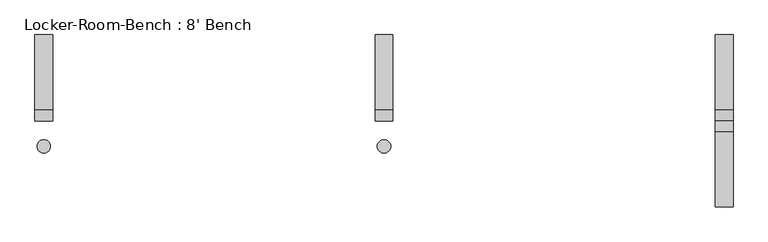
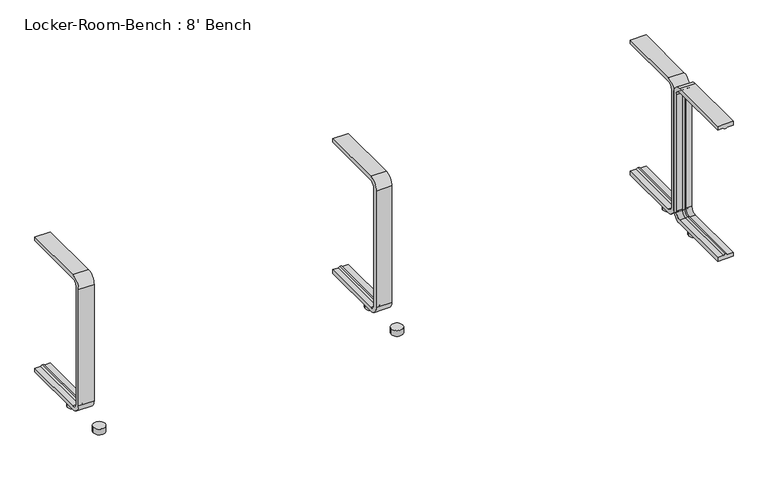
"""IFC4 building model written with IfcOpenShell, lengths in millimetres: proxy geometry, Locker-Room-Bench : 8' Bench."""

from ifc_helpers import new_model, si_unit, point, frame, frame_2d, origin, origin_with_axes, place, context, project, spatial, polyline, circle_curve, ellipse_curve, trimmed, segment, composite_curve, outline, extrude, source, transform, mapped, element, save
from ifc_brep_helpers import plane_surface, cylinder_surface, revolved_surface, advanced_brep


def locker_room_bench_8_bench_7943c223(model_context):
    return source(origin(), model_context, "Body", "SolidModel", [
        extrude(outline(composite_curve([segment(trimmed(circle_curve(frame_2d((764.4, -57.5)), 15.0), [point((749.4, -57.5))], [point((779.4, -57.5))], False, "CARTESIAN"), True, "CONTINUOUS"), segment(trimmed(circle_curve(frame_2d((764.4, -57.5)), 15.0), [point((779.4, -57.5))], [point((749.4, -57.5))], False, "CARTESIAN"), True, "CONTINUOUS")], self_intersect=False)), origin_with_axes(), (0.0, 0.0, 1.0), 15.0),
        extrude(outline(composite_curve([segment(trimmed(circle_curve(frame_2d((764.4, 57.5)), 15.0), [point((749.4, 57.5))], [point((779.4, 57.5))], False, "CARTESIAN"), True, "CONTINUOUS"), segment(trimmed(circle_curve(frame_2d((764.4, 57.5)), 15.0), [point((779.4, 57.5))], [point((749.4, 57.5))], False, "CARTESIAN"), True, "CONTINUOUS")], self_intersect=False)), origin_with_axes(), (0.0, 0.0, 1.0), 15.0),
        extrude(outline(composite_curve([segment(trimmed(circle_curve(frame_2d((0.0, -57.5)), 15.0), [point((-15.0, -57.5))], [point((15.0, -57.5))], False, "CARTESIAN"), True, "CONTINUOUS"), segment(trimmed(circle_curve(frame_2d((0.0, -57.5)), 15.0), [point((15.0, -57.5))], [point((-15.0, -57.5))], False, "CARTESIAN"), True, "CONTINUOUS")], self_intersect=False)), origin_with_axes(), (0.0, 0.0, 1.0), 15.0),
        extrude(outline(composite_curve([segment(trimmed(circle_curve(frame_2d((0.0, 57.5)), 15.0), [point((-15.0, 57.5))], [point((15.0, 57.5))], False, "CARTESIAN"), True, "CONTINUOUS"), segment(trimmed(circle_curve(frame_2d((0.0, 57.5)), 15.0), [point((15.0, 57.5))], [point((-15.0, 57.5))], False, "CARTESIAN"), True, "CONTINUOUS")], self_intersect=False)), origin_with_axes(), (0.0, 0.0, 1.0), 15.0),
        extrude(outline(composite_curve([segment(trimmed(circle_curve(frame_2d((-764.4, -57.5)), 15.0), [point((-779.4, -57.5))], [point((-749.4, -57.5))], False, "CARTESIAN"), True, "CONTINUOUS"), segment(trimmed(circle_curve(frame_2d((-764.4, -57.5)), 15.0), [point((-749.4, -57.5))], [point((-779.4, -57.5))], False, "CARTESIAN"), True, "CONTINUOUS")], self_intersect=False)), origin_with_axes(), (0.0, 0.0, 1.0), 15.0),
        extrude(outline(composite_curve([segment(trimmed(circle_curve(frame_2d((-764.4, 57.5)), 15.0), [point((-779.4, 57.5))], [point((-749.4, 57.5))], False, "CARTESIAN"), True, "CONTINUOUS"), segment(trimmed(circle_curve(frame_2d((-764.4, 57.5)), 15.0), [point((-749.4, 57.5))], [point((-779.4, 57.5))], False, "CARTESIAN"), True, "CONTINUOUS")], self_intersect=False)), origin_with_axes(), (0.0, 0.0, 1.0), 15.0),
        advanced_brep(
        [(784.4, 193.6, 381.4), (784.4, 193.6, 371.4), (769.4, 193.6, 371.4), (764.4, 193.6, 369.0684617), (759.4, 193.6, 371.4), (744.4, 193.6, 371.4), (744.4, 193.6, 381.4), (784.4, 25.0, 381.4), (784.4, 0.0, 356.4), (784.4, 0.0, 40.0), (784.4, 25.0, 15.0), (784.4, 193.6, 15.0), (784.4, 193.6, 25.0), (784.4, 25.0, 25.0), (784.4, 10.0, 40.0), (784.4, 10.0, 356.4), (784.4, 25.0, 371.4), (769.4, 25.0, 371.4), (764.4, 25.0, 369.0684617), (759.4, 25.0, 371.4), (744.4, 25.0, 371.4), (744.4, 10.0, 356.4), (744.4, 10.0, 40.0), (744.4, 25.0, 25.0), (744.4, 193.6, 25.0), (744.4, 193.6, 15.0), (744.4, 25.0, 15.0), (744.4, 0.0, 40.0), (744.4, 0.0, 356.4), (744.4, 25.0, 381.4), (769.4, 10.0, 356.4), (764.4, 12.3315383, 356.4), (759.4, 10.0, 356.4), (769.4, 10.0, 40.0), (764.4, 12.3315383, 40.0), (759.4, 10.0, 40.0), (769.4, 25.0, 25.0), (764.4, 25.0, 27.3315383), (759.4, 25.0, 25.0), (759.4, 193.6, 25.0), (764.4, 193.6, 27.3315383), (769.4, 193.6, 25.0)],
        [
            (0, 1),
            (1, 2),
            (2, 3, circle_curve(frame((764.6996409, 193.6, 374.9529162), z_axis=(0.0, 1.0, 0.0), x_axis=(0.0, 0.0, -1.0)), 5.8920785)),
            (3, 4, circle_curve(frame((764.1003591, 193.6, 374.9529162), z_axis=(0.0, 1.0, 0.0), x_axis=(0.0, 0.0, -1.0)), 5.8920785)),
            (4, 5),
            (5, 6),
            (6, 0),
            (0, 7),
            (7, 8, circle_curve(frame((784.4, 25.0, 356.4), z_axis=(1.0, 0.0, 0.0), x_axis=(0.0, 0.0, 1.0)), 25.0)),
            (8, 9),
            (9, 10, circle_curve(frame((784.4, 25.0, 40.0), z_axis=(1.0, 0.0, 0.0), x_axis=(0.0, -1.0, 0.0)), 25.0)),
            (10, 11),
            (11, 12),
            (12, 13),
            (13, 14, circle_curve(frame((784.4, 25.0, 40.0), z_axis=(-1.0, 0.0, 0.0), x_axis=(0.0, -1.0, 0.0)), 15.0)),
            (14, 15),
            (15, 16, circle_curve(frame((784.4, 25.0, 356.4), z_axis=(-1.0, 0.0, 0.0), x_axis=(0.0, 0.0, 1.0)), 15.0)),
            (16, 1),
            (16, 17),
            (17, 2),
            (17, 18, circle_curve(frame((764.6996409, 25.0, 374.9529162), z_axis=(0.0, 1.0, 0.0), x_axis=(0.0, 0.0, -1.0)), 5.8920785)),
            (18, 3),
            (18, 19, circle_curve(frame((764.1003591, 25.0, 374.9529162), z_axis=(0.0, 1.0, 0.0), x_axis=(0.0, 0.0, -1.0)), 5.8920785)),
            (19, 4),
            (19, 20),
            (20, 5),
            (20, 21, circle_curve(frame((744.4, 25.0, 356.4), z_axis=(1.0, 0.0, 0.0), x_axis=(0.0, 0.0, 1.0)), 15.0)),
            (21, 22),
            (22, 23, circle_curve(frame((744.4, 25.0, 40.0), z_axis=(1.0, 0.0, 0.0), x_axis=(0.0, -1.0, 0.0)), 15.0)),
            (23, 24),
            (24, 25),
            (25, 26),
            (26, 27, circle_curve(frame((744.4, 25.0, 40.0), z_axis=(-1.0, 0.0, 0.0), x_axis=(0.0, -1.0, 0.0)), 25.0)),
            (27, 28),
            (28, 29, circle_curve(frame((744.4, 25.0, 356.4), z_axis=(-1.0, 0.0, 0.0), x_axis=(0.0, 0.0, 1.0)), 25.0)),
            (29, 6),
            (29, 7),
            (30, 17, circle_curve(frame((769.4, 25.0, 356.4), z_axis=(-1.0, 0.0, 0.0), x_axis=(0.0, 0.0, 1.0)), 15.0)),
            (15, 30),
            (31, 18, circle_curve(frame((764.4, 25.0, 356.4), z_axis=(-1.0, 0.0, 0.0), x_axis=(0.0, 0.0, 1.0)), 12.6684617)),
            (30, 31, circle_curve(frame((764.6996409, 6.4470838, 356.4), z_axis=(0.0, 0.0, 1.0), x_axis=(0.0, 1.0, 0.0)), 5.8920785)),
            (32, 19, circle_curve(frame((759.4, 25.0, 356.4), z_axis=(-1.0, 0.0, 0.0), x_axis=(0.0, 0.0, 1.0)), 15.0)),
            (31, 32, circle_curve(frame((764.1003591, 6.4470838, 356.4), z_axis=(0.0, 0.0, 1.0), x_axis=(0.0, 1.0, 0.0)), 5.8920785)),
            (32, 21),
            (28, 8),
            (14, 33),
            (33, 30),
            (33, 34, circle_curve(frame((764.6996409, 6.4470838, 40.0), z_axis=(0.0, 0.0, 1.0), x_axis=(0.0, 1.0, 0.0)), 5.8920785)),
            (34, 31),
            (34, 35, circle_curve(frame((764.1003591, 6.4470838, 40.0), z_axis=(0.0, 0.0, 1.0), x_axis=(0.0, 1.0, 0.0)), 5.8920785)),
            (35, 32),
            (35, 22),
            (27, 9),
            (36, 33, circle_curve(frame((769.4, 25.0, 40.0), z_axis=(-1.0, 0.0, 0.0), x_axis=(0.0, -1.0, 0.0)), 15.0)),
            (13, 36),
            (37, 34, circle_curve(frame((764.4, 25.0, 40.0), z_axis=(-1.0, 0.0, 0.0), x_axis=(0.0, -1.0, 0.0)), 12.6684617)),
            (36, 37, circle_curve(frame((764.6996409, 25.0, 21.4470838), z_axis=(0.0, -1.0, 0.0), x_axis=(0.0, 0.0, 1.0)), 5.8920785)),
            (38, 35, circle_curve(frame((759.4, 25.0, 40.0), z_axis=(-1.0, 0.0, 0.0), x_axis=(0.0, -1.0, 0.0)), 15.0)),
            (37, 38, circle_curve(frame((764.1003591, 25.0, 21.4470838), z_axis=(0.0, -1.0, 0.0), x_axis=(0.0, 0.0, 1.0)), 5.8920785)),
            (38, 23),
            (26, 10),
            (11, 25),
            (24, 39),
            (39, 40, circle_curve(frame((764.1003591, 193.6, 21.4470838), z_axis=(0.0, 1.0, 0.0), x_axis=(0.0, 0.0, 1.0)), 5.8920785)),
            (40, 41, circle_curve(frame((764.6996409, 193.6, 21.4470838), z_axis=(0.0, 1.0, 0.0), x_axis=(0.0, 0.0, 1.0)), 5.8920785)),
            (41, 12),
            (41, 36),
            (40, 37),
            (39, 38),
        ],
        [
            plane_surface(frame((764.4, 193.6, 381.4), z_axis=(0.0, 1.0, 0.0), x_axis=(1.0, 0.0, 0.0))),
            plane_surface(frame((784.4, 193.6, 381.4), z_axis=(1.0, 0.0, 0.0), x_axis=(0.0, -1.0, 0.0))),
            plane_surface(frame((784.4, 193.6, 371.4), z_axis=(0.0, 0.0, -1.0), x_axis=(0.0, -1.0, 0.0))),
            cylinder_surface(frame((764.6996409, 193.6, 374.9529162), z_axis=(0.0, 1.0, 0.0), x_axis=(0.0, 0.0, -1.0)), 5.8920785),
            cylinder_surface(frame((764.1003591, 193.6, 374.9529162), z_axis=(0.0, 1.0, 0.0), x_axis=(0.0, 0.0, -1.0)), 5.8920785),
            plane_surface(frame((759.4, 193.6, 371.4), z_axis=(0.0, 0.0, -1.0), x_axis=(0.0, -1.0, 0.0))),
            plane_surface(frame((744.4, 193.6, 371.4), z_axis=(-1.0, 0.0, 0.0), x_axis=(0.0, -1.0, 0.0))),
            plane_surface(frame((744.4, 193.6, 381.4), z_axis=(0.0, 0.0, 1.0), x_axis=(0.0, -1.0, 0.0))),
            revolved_surface(polyline([(784.4, 25.0, 371.4), (769.4, 25.0, 371.4)]), (764.4, 25.0, 356.4), (1.0, 0.0, 0.0)),
            revolved_surface(trimmed(ellipse_curve(frame((764.6996409, 25.0, 374.9529162), z_axis=(0.0, 1.0, 0.0), x_axis=(0.0, 0.0, -1.0)), 5.8920785, 5.8920785), [point((769.4, 25.0, 371.4))], [point((764.4, 25.0, 369.0684617))], True, "CARTESIAN"), (764.4, 25.0, 356.4), (1.0, 0.0, 0.0)),
            revolved_surface(trimmed(ellipse_curve(frame((764.1003591, 25.0, 374.9529162), z_axis=(0.0, 1.0, 0.0), x_axis=(0.0, 0.0, -1.0)), 5.8920785, 5.8920785), [point((764.4, 25.0, 369.0684617))], [point((759.4, 25.0, 371.4))], True, "CARTESIAN"), (764.4, 25.0, 356.4), (1.0, 0.0, 0.0)),
            revolved_surface(polyline([(759.4, 25.0, 371.4), (744.4, 25.0, 371.4)]), (764.4, 25.0, 356.4), (1.0, 0.0, 0.0)),
            cylinder_surface(frame((764.4, 25.0, 356.4), z_axis=(1.0, 0.0, 0.0), x_axis=(0.0, 0.0, 1.0)), 25.0),
            plane_surface(frame((784.4, 10.0, 356.4), z_axis=(0.0, 1.0, 0.0), x_axis=(0.0, 0.0, -1.0))),
            cylinder_surface(frame((764.6996409, 6.4470838, 356.4), z_axis=(0.0, 0.0, 1.0), x_axis=(0.0, 1.0, 0.0)), 5.8920785),
            cylinder_surface(frame((764.1003591, 6.4470838, 356.4), z_axis=(0.0, 0.0, 1.0), x_axis=(0.0, 1.0, 0.0)), 5.8920785),
            plane_surface(frame((759.4, 10.0, 356.4), z_axis=(0.0, 1.0, 0.0), x_axis=(0.0, 0.0, -1.0))),
            plane_surface(frame((744.4, 0.0, 356.4), z_axis=(0.0, -1.0, 0.0), x_axis=(0.0, 0.0, -1.0))),
            revolved_surface(polyline([(784.4, 10.0, 40.0), (769.4, 10.0, 40.0)]), (764.4, 25.0, 40.0), (1.0, 0.0, 0.0)),
            revolved_surface(trimmed(ellipse_curve(frame((764.6996409, 6.4470838, 40.0), z_axis=(0.0, 0.0, 1.0), x_axis=(0.0, 1.0, 0.0)), 5.8920785, 5.8920785), [point((769.4, 10.0, 40.0))], [point((764.4, 12.3315383, 40.0))], True, "CARTESIAN"), (764.4, 25.0, 40.0), (1.0, 0.0, 0.0)),
            revolved_surface(trimmed(ellipse_curve(frame((764.1003591, 6.4470838, 40.0), z_axis=(0.0, 0.0, 1.0), x_axis=(0.0, 1.0, 0.0)), 5.8920785, 5.8920785), [point((764.4, 12.3315383, 40.0))], [point((759.4, 10.0, 40.0))], True, "CARTESIAN"), (764.4, 25.0, 40.0), (1.0, 0.0, 0.0)),
            revolved_surface(polyline([(759.4, 10.0, 40.0), (744.4, 10.0, 40.0)]), (764.4, 25.0, 40.0), (1.0, 0.0, 0.0)),
            cylinder_surface(frame((764.4, 25.0, 40.0), z_axis=(1.0, 0.0, 0.0), x_axis=(0.0, -1.0, 0.0)), 25.0),
            plane_surface(frame((764.4, 193.6, 15.0), z_axis=(0.0, 1.0, 0.0), x_axis=(1.0, 0.0, 0.0))),
            plane_surface(frame((784.4, 25.0, 25.0), z_axis=(0.0, 0.0, 1.0), x_axis=(0.0, 1.0, 0.0))),
            cylinder_surface(frame((764.6996409, 25.0, 21.4470838), z_axis=(0.0, -1.0, 0.0), x_axis=(0.0, 0.0, 1.0)), 5.8920785),
            cylinder_surface(frame((764.1003591, 25.0, 21.4470838), z_axis=(0.0, -1.0, 0.0), x_axis=(0.0, 0.0, 1.0)), 5.8920785),
            plane_surface(frame((759.4, 25.0, 25.0), z_axis=(0.0, 0.0, 1.0), x_axis=(0.0, 1.0, 0.0))),
            plane_surface(frame((744.4, 25.0, 15.0), z_axis=(0.0, 0.0, -1.0), x_axis=(0.0, 1.0, 0.0))),
        ],
        [
            (0, [[1, 2, 3, 4, 5, 6, 7]]),
            (1, [[-1, 8, 9, 10, 11, 12, 13, 14, 15, 16, 17, 18]]),
            (2, [[-2, -18, 19, 20]]),
            (3, [[-3, -20, 21, 22]]),
            (4, [[-4, -22, 23, 24]]),
            (5, [[-5, -24, 25, 26]]),
            (6, [[-6, -26, 27, 28, 29, 30, 31, 32, 33, 34, 35, 36]]),
            (7, [[-7, -36, 37, -8]]),
            (8, [[38, -19, -17, 39]]),
            (9, [[40, -21, -38, 41]]),
            (10, [[42, -23, -40, 43]]),
            (11, [[-27, -25, -42, 44]]),
            (12, [[-9, -37, -35, 45]]),
            (13, [[-39, -16, 46, 47]]),
            (14, [[-41, -47, 48, 49]]),
            (15, [[-43, -49, 50, 51]]),
            (16, [[-44, -51, 52, -28]]),
            (17, [[-45, -34, 53, -10]]),
            (18, [[54, -46, -15, 55]]),
            (19, [[56, -48, -54, 57]]),
            (20, [[58, -50, -56, 59]]),
            (21, [[-29, -52, -58, 60]]),
            (22, [[-11, -53, -33, 61]]),
            (23, [[62, -31, 63, 64, 65, 66, -13]]),
            (24, [[-55, -14, -66, 67]]),
            (25, [[-57, -67, -65, 68]]),
            (26, [[-59, -68, -64, 69]]),
            (27, [[-60, -69, -63, -30]]),
            (28, [[-61, -32, -62, -12]]),
        ],
    ),
        advanced_brep(
        [(20.0, 193.6, 381.4), (20.0, 193.6, 371.4), (5.0, 193.6, 371.4), (0.0, 193.6, 369.0684617), (-5.0, 193.6, 371.4), (-20.0, 193.6, 371.4), (-20.0, 193.6, 381.4), (20.0, 25.0, 381.4), (20.0, 0.0, 356.4), (20.0, 0.0, 40.0), (20.0, 25.0, 15.0), (20.0, 193.6, 15.0), (20.0, 193.6, 25.0), (20.0, 25.0, 25.0), (20.0, 10.0, 40.0), (20.0, 10.0, 356.4), (20.0, 25.0, 371.4), (5.0, 25.0, 371.4), (0.0, 25.0, 369.0684617), (-5.0, 25.0, 371.4), (-20.0, 25.0, 371.4), (-20.0, 10.0, 356.4), (-20.0, 10.0, 40.0), (-20.0, 25.0, 25.0), (-20.0, 193.6, 25.0), (-20.0, 193.6, 15.0), (-20.0, 25.0, 15.0), (-20.0, 0.0, 40.0), (-20.0, 0.0, 356.4), (-20.0, 25.0, 381.4), (5.0, 10.0, 356.4), (0.0, 12.3315383, 356.4), (-5.0, 10.0, 356.4), (5.0, 10.0, 40.0), (0.0, 12.3315383, 40.0), (-5.0, 10.0, 40.0), (5.0, 25.0, 25.0), (0.0, 25.0, 27.3315383), (-5.0, 25.0, 25.0), (-5.0, 193.6, 25.0), (0.0, 193.6, 27.3315383), (5.0, 193.6, 25.0)],
        [
            (0, 1),
            (1, 2),
            (2, 3, circle_curve(frame((0.2996409, 193.6, 374.9529162), z_axis=(0.0, 1.0, 0.0), x_axis=(0.0, 0.0, -1.0)), 5.8920785)),
            (3, 4, circle_curve(frame((-0.2996409, 193.6, 374.9529162), z_axis=(0.0, 1.0, 0.0), x_axis=(0.0, 0.0, -1.0)), 5.8920785)),
            (4, 5),
            (5, 6),
            (6, 0),
            (0, 7),
            (7, 8, circle_curve(frame((20.0, 25.0, 356.4), z_axis=(1.0, 0.0, 0.0), x_axis=(0.0, 0.0, 1.0)), 25.0)),
            (8, 9),
            (9, 10, circle_curve(frame((20.0, 25.0, 40.0), z_axis=(1.0, 0.0, 0.0), x_axis=(0.0, -1.0, 0.0)), 25.0)),
            (10, 11),
            (11, 12),
            (12, 13),
            (13, 14, circle_curve(frame((20.0, 25.0, 40.0), z_axis=(-1.0, 0.0, 0.0), x_axis=(0.0, -1.0, 0.0)), 15.0)),
            (14, 15),
            (15, 16, circle_curve(frame((20.0, 25.0, 356.4), z_axis=(-1.0, 0.0, 0.0), x_axis=(0.0, 0.0, 1.0)), 15.0)),
            (16, 1),
            (16, 17),
            (17, 2),
            (17, 18, circle_curve(frame((0.2996409, 25.0, 374.9529162), z_axis=(0.0, 1.0, 0.0), x_axis=(0.0, 0.0, -1.0)), 5.8920785)),
            (18, 3),
            (18, 19, circle_curve(frame((-0.2996409, 25.0, 374.9529162), z_axis=(0.0, 1.0, 0.0), x_axis=(0.0, 0.0, -1.0)), 5.8920785)),
            (19, 4),
            (19, 20),
            (20, 5),
            (20, 21, circle_curve(frame((-20.0, 25.0, 356.4), z_axis=(1.0, 0.0, 0.0), x_axis=(0.0, 0.0, 1.0)), 15.0)),
            (21, 22),
            (22, 23, circle_curve(frame((-20.0, 25.0, 40.0), z_axis=(1.0, 0.0, 0.0), x_axis=(0.0, -1.0, 0.0)), 15.0)),
            (23, 24),
            (24, 25),
            (25, 26),
            (26, 27, circle_curve(frame((-20.0, 25.0, 40.0), z_axis=(-1.0, 0.0, 0.0), x_axis=(0.0, -1.0, 0.0)), 25.0)),
            (27, 28),
            (28, 29, circle_curve(frame((-20.0, 25.0, 356.4), z_axis=(-1.0, 0.0, 0.0), x_axis=(0.0, 0.0, 1.0)), 25.0)),
            (29, 6),
            (29, 7),
            (30, 17, circle_curve(frame((5.0, 25.0, 356.4), z_axis=(-1.0, 0.0, 0.0), x_axis=(0.0, 0.0, 1.0)), 15.0)),
            (15, 30),
            (31, 18, circle_curve(frame((0.0, 25.0, 356.4), z_axis=(-1.0, 0.0, 0.0), x_axis=(0.0, 0.0, 1.0)), 12.6684617)),
            (30, 31, circle_curve(frame((0.2996409, 6.4470838, 356.4), z_axis=(0.0, 0.0, 1.0), x_axis=(0.0, 1.0, 0.0)), 5.8920785)),
            (32, 19, circle_curve(frame((-5.0, 25.0, 356.4), z_axis=(-1.0, 0.0, 0.0), x_axis=(0.0, 0.0, 1.0)), 15.0)),
            (31, 32, circle_curve(frame((-0.2996409, 6.4470838, 356.4), z_axis=(0.0, 0.0, 1.0), x_axis=(0.0, 1.0, 0.0)), 5.8920785)),
            (32, 21),
            (28, 8),
            (14, 33),
            (33, 30),
            (33, 34, circle_curve(frame((0.2996409, 6.4470838, 40.0), z_axis=(0.0, 0.0, 1.0), x_axis=(0.0, 1.0, 0.0)), 5.8920785)),
            (34, 31),
            (34, 35, circle_curve(frame((-0.2996409, 6.4470838, 40.0), z_axis=(0.0, 0.0, 1.0), x_axis=(0.0, 1.0, 0.0)), 5.8920785)),
            (35, 32),
            (35, 22),
            (27, 9),
            (36, 33, circle_curve(frame((5.0, 25.0, 40.0), z_axis=(-1.0, 0.0, 0.0), x_axis=(0.0, -1.0, 0.0)), 15.0)),
            (13, 36),
            (37, 34, circle_curve(frame((0.0, 25.0, 40.0), z_axis=(-1.0, 0.0, 0.0), x_axis=(0.0, -1.0, 0.0)), 12.6684617)),
            (36, 37, circle_curve(frame((0.2996409, 25.0, 21.4470838), z_axis=(0.0, -1.0, 0.0), x_axis=(0.0, 0.0, 1.0)), 5.8920785)),
            (38, 35, circle_curve(frame((-5.0, 25.0, 40.0), z_axis=(-1.0, 0.0, 0.0), x_axis=(0.0, -1.0, 0.0)), 15.0)),
            (37, 38, circle_curve(frame((-0.2996409, 25.0, 21.4470838), z_axis=(0.0, -1.0, 0.0), x_axis=(0.0, 0.0, 1.0)), 5.8920785)),
            (38, 23),
            (26, 10),
            (11, 25),
            (24, 39),
            (39, 40, circle_curve(frame((-0.2996409, 193.6, 21.4470838), z_axis=(0.0, 1.0, 0.0), x_axis=(0.0, 0.0, 1.0)), 5.8920785)),
            (40, 41, circle_curve(frame((0.2996409, 193.6, 21.4470838), z_axis=(0.0, 1.0, 0.0), x_axis=(0.0, 0.0, 1.0)), 5.8920785)),
            (41, 12),
            (41, 36),
            (40, 37),
            (39, 38),
        ],
        [
            plane_surface(frame((0.0, 193.6, 381.4), z_axis=(0.0, 1.0, 0.0), x_axis=(1.0, 0.0, 0.0))),
            plane_surface(frame((20.0, 193.6, 381.4), z_axis=(1.0, 0.0, 0.0), x_axis=(0.0, -1.0, 0.0))),
            plane_surface(frame((20.0, 193.6, 371.4), z_axis=(0.0, 0.0, -1.0), x_axis=(0.0, -1.0, 0.0))),
            cylinder_surface(frame((0.2996409, 193.6, 374.9529162), z_axis=(0.0, 1.0, 0.0), x_axis=(0.0, 0.0, -1.0)), 5.8920785),
            cylinder_surface(frame((-0.2996409, 193.6, 374.9529162), z_axis=(0.0, 1.0, 0.0), x_axis=(0.0, 0.0, -1.0)), 5.8920785),
            plane_surface(frame((-5.0, 193.6, 371.4), z_axis=(0.0, 0.0, -1.0), x_axis=(0.0, -1.0, 0.0))),
            plane_surface(frame((-20.0, 193.6, 371.4), z_axis=(-1.0, 0.0, 0.0), x_axis=(0.0, -1.0, 0.0))),
            plane_surface(frame((-20.0, 193.6, 381.4), z_axis=(0.0, 0.0, 1.0), x_axis=(0.0, -1.0, 0.0))),
            revolved_surface(polyline([(20.0, 25.0, 371.4), (5.0, 25.0, 371.4)]), (0.0, 25.0, 356.4), (1.0, 0.0, 0.0)),
            revolved_surface(trimmed(ellipse_curve(frame((0.2996409, 25.0, 374.9529162), z_axis=(0.0, 1.0, 0.0), x_axis=(0.0, 0.0, -1.0)), 5.8920785, 5.8920785), [point((5.0, 25.0, 371.4))], [point((0.0, 25.0, 369.0684617))], True, "CARTESIAN"), (0.0, 25.0, 356.4), (1.0, 0.0, 0.0)),
            revolved_surface(trimmed(ellipse_curve(frame((-0.2996409, 25.0, 374.9529162), z_axis=(0.0, 1.0, 0.0), x_axis=(0.0, 0.0, -1.0)), 5.8920785, 5.8920785), [point((0.0, 25.0, 369.0684617))], [point((-5.0, 25.0, 371.4))], True, "CARTESIAN"), (0.0, 25.0, 356.4), (1.0, 0.0, 0.0)),
            revolved_surface(polyline([(-5.0, 25.0, 371.4), (-20.0, 25.0, 371.4)]), (0.0, 25.0, 356.4), (1.0, 0.0, 0.0)),
            cylinder_surface(frame((0.0, 25.0, 356.4), z_axis=(1.0, 0.0, 0.0), x_axis=(0.0, 0.0, 1.0)), 25.0),
            plane_surface(frame((20.0, 10.0, 356.4), z_axis=(0.0, 1.0, 0.0), x_axis=(0.0, 0.0, -1.0))),
            cylinder_surface(frame((0.2996409, 6.4470838, 356.4), z_axis=(0.0, 0.0, 1.0), x_axis=(0.0, 1.0, 0.0)), 5.8920785),
            cylinder_surface(frame((-0.2996409, 6.4470838, 356.4), z_axis=(0.0, 0.0, 1.0), x_axis=(0.0, 1.0, 0.0)), 5.8920785),
            plane_surface(frame((-5.0, 10.0, 356.4), z_axis=(0.0, 1.0, 0.0), x_axis=(0.0, 0.0, -1.0))),
            plane_surface(frame((-20.0, 0.0, 356.4), z_axis=(0.0, -1.0, 0.0), x_axis=(0.0, 0.0, -1.0))),
            revolved_surface(polyline([(20.0, 10.0, 40.0), (5.0, 10.0, 40.0)]), (0.0, 25.0, 40.0), (1.0, 0.0, 0.0)),
            revolved_surface(trimmed(ellipse_curve(frame((0.2996409, 6.4470838, 40.0), z_axis=(0.0, 0.0, 1.0), x_axis=(0.0, 1.0, 0.0)), 5.8920785, 5.8920785), [point((5.0, 10.0, 40.0))], [point((0.0, 12.3315383, 40.0))], True, "CARTESIAN"), (0.0, 25.0, 40.0), (1.0, 0.0, 0.0)),
            revolved_surface(trimmed(ellipse_curve(frame((-0.2996409, 6.4470838, 40.0), z_axis=(0.0, 0.0, 1.0), x_axis=(0.0, 1.0, 0.0)), 5.8920785, 5.8920785), [point((0.0, 12.3315383, 40.0))], [point((-5.0, 10.0, 40.0))], True, "CARTESIAN"), (0.0, 25.0, 40.0), (1.0, 0.0, 0.0)),
            revolved_surface(polyline([(-5.0, 10.0, 40.0), (-20.0, 10.0, 40.0)]), (0.0, 25.0, 40.0), (1.0, 0.0, 0.0)),
            cylinder_surface(frame((0.0, 25.0, 40.0), z_axis=(1.0, 0.0, 0.0), x_axis=(0.0, -1.0, 0.0)), 25.0),
            plane_surface(frame((0.0, 193.6, 15.0), z_axis=(0.0, 1.0, 0.0), x_axis=(1.0, 0.0, 0.0))),
            plane_surface(frame((20.0, 25.0, 25.0), z_axis=(0.0, 0.0, 1.0), x_axis=(0.0, 1.0, 0.0))),
            cylinder_surface(frame((0.2996409, 25.0, 21.4470838), z_axis=(0.0, -1.0, 0.0), x_axis=(0.0, 0.0, 1.0)), 5.8920785),
            cylinder_surface(frame((-0.2996409, 25.0, 21.4470838), z_axis=(0.0, -1.0, 0.0), x_axis=(0.0, 0.0, 1.0)), 5.8920785),
            plane_surface(frame((-5.0, 25.0, 25.0), z_axis=(0.0, 0.0, 1.0), x_axis=(0.0, 1.0, 0.0))),
            plane_surface(frame((-20.0, 25.0, 15.0), z_axis=(0.0, 0.0, -1.0), x_axis=(0.0, 1.0, 0.0))),
        ],
        [
            (0, [[1, 2, 3, 4, 5, 6, 7]]),
            (1, [[-1, 8, 9, 10, 11, 12, 13, 14, 15, 16, 17, 18]]),
            (2, [[-2, -18, 19, 20]]),
            (3, [[-3, -20, 21, 22]]),
            (4, [[-4, -22, 23, 24]]),
            (5, [[-5, -24, 25, 26]]),
            (6, [[-6, -26, 27, 28, 29, 30, 31, 32, 33, 34, 35, 36]]),
            (7, [[-7, -36, 37, -8]]),
            (8, [[38, -19, -17, 39]]),
            (9, [[40, -21, -38, 41]]),
            (10, [[42, -23, -40, 43]]),
            (11, [[-27, -25, -42, 44]]),
            (12, [[-9, -37, -35, 45]]),
            (13, [[-39, -16, 46, 47]]),
            (14, [[-41, -47, 48, 49]]),
            (15, [[-43, -49, 50, 51]]),
            (16, [[-44, -51, 52, -28]]),
            (17, [[-45, -34, 53, -10]]),
            (18, [[54, -46, -15, 55]]),
            (19, [[56, -48, -54, 57]]),
            (20, [[58, -50, -56, 59]]),
            (21, [[-29, -52, -58, 60]]),
            (22, [[-11, -53, -33, 61]]),
            (23, [[62, -31, 63, 64, 65, 66, -13]]),
            (24, [[-55, -14, -66, 67]]),
            (25, [[-57, -67, -65, 68]]),
            (26, [[-59, -68, -64, 69]]),
            (27, [[-60, -69, -63, -30]]),
            (28, [[-61, -32, -62, -12]]),
        ],
    ),
        advanced_brep(
        [(-744.4, 193.6, 381.4), (-744.4, 193.6, 371.4), (-759.4, 193.6, 371.4), (-764.4, 193.6, 369.0684617), (-769.4, 193.6, 371.4), (-784.4, 193.6, 371.4), (-784.4, 193.6, 381.4), (-744.4, 25.0, 381.4), (-744.4, 0.0, 356.4), (-744.4, 0.0, 40.0), (-744.4, 25.0, 15.0), (-744.4, 193.6, 15.0), (-744.4, 193.6, 25.0), (-744.4, 25.0, 25.0), (-744.4, 10.0, 40.0), (-744.4, 10.0, 356.4), (-744.4, 25.0, 371.4), (-759.4, 25.0, 371.4), (-764.4, 25.0, 369.0684617), (-769.4, 25.0, 371.4), (-784.4, 25.0, 371.4), (-784.4, 10.0, 356.4), (-784.4, 10.0, 40.0), (-784.4, 25.0, 25.0), (-784.4, 193.6, 25.0), (-784.4, 193.6, 15.0), (-784.4, 25.0, 15.0), (-784.4, 0.0, 40.0), (-784.4, 0.0, 356.4), (-784.4, 25.0, 381.4), (-759.4, 10.0, 356.4), (-764.4, 12.3315383, 356.4), (-769.4, 10.0, 356.4), (-759.4, 10.0, 40.0), (-764.4, 12.3315383, 40.0), (-769.4, 10.0, 40.0), (-759.4, 25.0, 25.0), (-764.4, 25.0, 27.3315383), (-769.4, 25.0, 25.0), (-769.4, 193.6, 25.0), (-764.4, 193.6, 27.3315383), (-759.4, 193.6, 25.0)],
        [
            (0, 1),
            (1, 2),
            (2, 3, circle_curve(frame((-764.1003591, 193.6, 374.9529162), z_axis=(0.0, 1.0, 0.0), x_axis=(0.0, 0.0, -1.0)), 5.8920785)),
            (3, 4, circle_curve(frame((-764.6996409, 193.6, 374.9529162), z_axis=(0.0, 1.0, 0.0), x_axis=(0.0, 0.0, -1.0)), 5.8920785)),
            (4, 5),
            (5, 6),
            (6, 0),
            (0, 7),
            (7, 8, circle_curve(frame((-744.4, 25.0, 356.4), z_axis=(1.0, 0.0, 0.0), x_axis=(0.0, 0.0, 1.0)), 25.0)),
            (8, 9),
            (9, 10, circle_curve(frame((-744.4, 25.0, 40.0), z_axis=(1.0, 0.0, 0.0), x_axis=(0.0, -1.0, 0.0)), 25.0)),
            (10, 11),
            (11, 12),
            (12, 13),
            (13, 14, circle_curve(frame((-744.4, 25.0, 40.0), z_axis=(-1.0, 0.0, 0.0), x_axis=(0.0, -1.0, 0.0)), 15.0)),
            (14, 15),
            (15, 16, circle_curve(frame((-744.4, 25.0, 356.4), z_axis=(-1.0, 0.0, 0.0), x_axis=(0.0, 0.0, 1.0)), 15.0)),
            (16, 1),
            (16, 17),
            (17, 2),
            (17, 18, circle_curve(frame((-764.1003591, 25.0, 374.9529162), z_axis=(0.0, 1.0, 0.0), x_axis=(0.0, 0.0, -1.0)), 5.8920785)),
            (18, 3),
            (18, 19, circle_curve(frame((-764.6996409, 25.0, 374.9529162), z_axis=(0.0, 1.0, 0.0), x_axis=(0.0, 0.0, -1.0)), 5.8920785)),
            (19, 4),
            (19, 20),
            (20, 5),
            (20, 21, circle_curve(frame((-784.4, 25.0, 356.4), z_axis=(1.0, 0.0, 0.0), x_axis=(0.0, 0.0, 1.0)), 15.0)),
            (21, 22),
            (22, 23, circle_curve(frame((-784.4, 25.0, 40.0), z_axis=(1.0, 0.0, 0.0), x_axis=(0.0, -1.0, 0.0)), 15.0)),
            (23, 24),
            (24, 25),
            (25, 26),
            (26, 27, circle_curve(frame((-784.4, 25.0, 40.0), z_axis=(-1.0, 0.0, 0.0), x_axis=(0.0, -1.0, 0.0)), 25.0)),
            (27, 28),
            (28, 29, circle_curve(frame((-784.4, 25.0, 356.4), z_axis=(-1.0, 0.0, 0.0), x_axis=(0.0, 0.0, 1.0)), 25.0)),
            (29, 6),
            (29, 7),
            (30, 17, circle_curve(frame((-759.4, 25.0, 356.4), z_axis=(-1.0, 0.0, 0.0), x_axis=(0.0, 0.0, 1.0)), 15.0)),
            (15, 30),
            (31, 18, circle_curve(frame((-764.4, 25.0, 356.4), z_axis=(-1.0, 0.0, 0.0), x_axis=(0.0, 0.0, 1.0)), 12.6684617)),
            (30, 31, circle_curve(frame((-764.1003591, 6.4470838, 356.4), z_axis=(0.0, 0.0, 1.0), x_axis=(0.0, 1.0, 0.0)), 5.8920785)),
            (32, 19, circle_curve(frame((-769.4, 25.0, 356.4), z_axis=(-1.0, 0.0, 0.0), x_axis=(0.0, 0.0, 1.0)), 15.0)),
            (31, 32, circle_curve(frame((-764.6996409, 6.4470838, 356.4), z_axis=(0.0, 0.0, 1.0), x_axis=(0.0, 1.0, 0.0)), 5.8920785)),
            (32, 21),
            (28, 8),
            (14, 33),
            (33, 30),
            (33, 34, circle_curve(frame((-764.1003591, 6.4470838, 40.0), z_axis=(0.0, 0.0, 1.0), x_axis=(0.0, 1.0, 0.0)), 5.8920785)),
            (34, 31),
            (34, 35, circle_curve(frame((-764.6996409, 6.4470838, 40.0), z_axis=(0.0, 0.0, 1.0), x_axis=(0.0, 1.0, 0.0)), 5.8920785)),
            (35, 32),
            (35, 22),
            (27, 9),
            (36, 33, circle_curve(frame((-759.4, 25.0, 40.0), z_axis=(-1.0, 0.0, 0.0), x_axis=(0.0, -1.0, 0.0)), 15.0)),
            (13, 36),
            (37, 34, circle_curve(frame((-764.4, 25.0, 40.0), z_axis=(-1.0, 0.0, 0.0), x_axis=(0.0, -1.0, 0.0)), 12.6684617)),
            (36, 37, circle_curve(frame((-764.1003591, 25.0, 21.4470838), z_axis=(0.0, -1.0, 0.0), x_axis=(0.0, 0.0, 1.0)), 5.8920785)),
            (38, 35, circle_curve(frame((-769.4, 25.0, 40.0), z_axis=(-1.0, 0.0, 0.0), x_axis=(0.0, -1.0, 0.0)), 15.0)),
            (37, 38, circle_curve(frame((-764.6996409, 25.0, 21.4470838), z_axis=(0.0, -1.0, 0.0), x_axis=(0.0, 0.0, 1.0)), 5.8920785)),
            (38, 23),
            (26, 10),
            (11, 25),
            (24, 39),
            (39, 40, circle_curve(frame((-764.6996409, 193.6, 21.4470838), z_axis=(0.0, 1.0, 0.0), x_axis=(0.0, 0.0, 1.0)), 5.8920785)),
            (40, 41, circle_curve(frame((-764.1003591, 193.6, 21.4470838), z_axis=(0.0, 1.0, 0.0), x_axis=(0.0, 0.0, 1.0)), 5.8920785)),
            (41, 12),
            (41, 36),
            (40, 37),
            (39, 38),
        ],
        [
            plane_surface(frame((-764.4, 193.6, 381.4), z_axis=(0.0, 1.0, 0.0), x_axis=(1.0, 0.0, 0.0))),
            plane_surface(frame((-744.4, 193.6, 381.4), z_axis=(1.0, 0.0, 0.0), x_axis=(0.0, -1.0, 0.0))),
            plane_surface(frame((-744.4, 193.6, 371.4), z_axis=(0.0, 0.0, -1.0), x_axis=(0.0, -1.0, 0.0))),
            cylinder_surface(frame((-764.1003591, 193.6, 374.9529162), z_axis=(0.0, 1.0, 0.0), x_axis=(0.0, 0.0, -1.0)), 5.8920785),
            cylinder_surface(frame((-764.6996409, 193.6, 374.9529162), z_axis=(0.0, 1.0, 0.0), x_axis=(0.0, 0.0, -1.0)), 5.8920785),
            plane_surface(frame((-769.4, 193.6, 371.4), z_axis=(0.0, 0.0, -1.0), x_axis=(0.0, -1.0, 0.0))),
            plane_surface(frame((-784.4, 193.6, 371.4), z_axis=(-1.0, 0.0, 0.0), x_axis=(0.0, -1.0, 0.0))),
            plane_surface(frame((-784.4, 193.6, 381.4), z_axis=(0.0, 0.0, 1.0), x_axis=(0.0, -1.0, 0.0))),
            revolved_surface(polyline([(-744.4, 25.0, 371.4), (-759.4, 25.0, 371.4)]), (-764.4, 25.0, 356.4), (1.0, 0.0, 0.0)),
            revolved_surface(trimmed(ellipse_curve(frame((-764.1003591, 25.0, 374.9529162), z_axis=(0.0, 1.0, 0.0), x_axis=(0.0, 0.0, -1.0)), 5.8920785, 5.8920785), [point((-759.4, 25.0, 371.4))], [point((-764.4, 25.0, 369.0684617))], True, "CARTESIAN"), (-764.4, 25.0, 356.4), (1.0, 0.0, 0.0)),
            revolved_surface(trimmed(ellipse_curve(frame((-764.6996409, 25.0, 374.9529162), z_axis=(0.0, 1.0, 0.0), x_axis=(0.0, 0.0, -1.0)), 5.8920785, 5.8920785), [point((-764.4, 25.0, 369.0684617))], [point((-769.4, 25.0, 371.4))], True, "CARTESIAN"), (-764.4, 25.0, 356.4), (1.0, 0.0, 0.0)),
            revolved_surface(polyline([(-769.4, 25.0, 371.4), (-784.4, 25.0, 371.4)]), (-764.4, 25.0, 356.4), (1.0, 0.0, 0.0)),
            cylinder_surface(frame((-764.4, 25.0, 356.4), z_axis=(1.0, 0.0, 0.0), x_axis=(0.0, 0.0, 1.0)), 25.0),
            plane_surface(frame((-744.4, 10.0, 356.4), z_axis=(0.0, 1.0, 0.0), x_axis=(0.0, 0.0, -1.0))),
            cylinder_surface(frame((-764.1003591, 6.4470838, 356.4), z_axis=(0.0, 0.0, 1.0), x_axis=(0.0, 1.0, 0.0)), 5.8920785),
            cylinder_surface(frame((-764.6996409, 6.4470838, 356.4), z_axis=(0.0, 0.0, 1.0), x_axis=(0.0, 1.0, 0.0)), 5.8920785),
            plane_surface(frame((-769.4, 10.0, 356.4), z_axis=(0.0, 1.0, 0.0), x_axis=(0.0, 0.0, -1.0))),
            plane_surface(frame((-784.4, 0.0, 356.4), z_axis=(0.0, -1.0, 0.0), x_axis=(0.0, 0.0, -1.0))),
            revolved_surface(polyline([(-744.4, 10.0, 40.0), (-759.4, 10.0, 40.0)]), (-764.4, 25.0, 40.0), (1.0, 0.0, 0.0)),
            revolved_surface(trimmed(ellipse_curve(frame((-764.1003591, 6.4470838, 40.0), z_axis=(0.0, 0.0, 1.0), x_axis=(0.0, 1.0, 0.0)), 5.8920785, 5.8920785), [point((-759.4, 10.0, 40.0))], [point((-764.4, 12.3315383, 40.0))], True, "CARTESIAN"), (-764.4, 25.0, 40.0), (1.0, 0.0, 0.0)),
            revolved_surface(trimmed(ellipse_curve(frame((-764.6996409, 6.4470838, 40.0), z_axis=(0.0, 0.0, 1.0), x_axis=(0.0, 1.0, 0.0)), 5.8920785, 5.8920785), [point((-764.4, 12.3315383, 40.0))], [point((-769.4, 10.0, 40.0))], True, "CARTESIAN"), (-764.4, 25.0, 40.0), (1.0, 0.0, 0.0)),
            revolved_surface(polyline([(-769.4, 10.0, 40.0), (-784.4, 10.0, 40.0)]), (-764.4, 25.0, 40.0), (1.0, 0.0, 0.0)),
            cylinder_surface(frame((-764.4, 25.0, 40.0), z_axis=(1.0, 0.0, 0.0), x_axis=(0.0, -1.0, 0.0)), 25.0),
            plane_surface(frame((-764.4, 193.6, 15.0), z_axis=(0.0, 1.0, 0.0), x_axis=(1.0, 0.0, 0.0))),
            plane_surface(frame((-744.4, 25.0, 25.0), z_axis=(0.0, 0.0, 1.0), x_axis=(0.0, 1.0, 0.0))),
            cylinder_surface(frame((-764.1003591, 25.0, 21.4470838), z_axis=(0.0, -1.0, 0.0), x_axis=(0.0, 0.0, 1.0)), 5.8920785),
            cylinder_surface(frame((-764.6996409, 25.0, 21.4470838), z_axis=(0.0, -1.0, 0.0), x_axis=(0.0, 0.0, 1.0)), 5.8920785),
            plane_surface(frame((-769.4, 25.0, 25.0), z_axis=(0.0, 0.0, 1.0), x_axis=(0.0, 1.0, 0.0))),
            plane_surface(frame((-784.4, 25.0, 15.0), z_axis=(0.0, 0.0, -1.0), x_axis=(0.0, 1.0, 0.0))),
        ],
        [
            (0, [[1, 2, 3, 4, 5, 6, 7]]),
            (1, [[-1, 8, 9, 10, 11, 12, 13, 14, 15, 16, 17, 18]]),
            (2, [[-2, -18, 19, 20]]),
            (3, [[-3, -20, 21, 22]]),
            (4, [[-4, -22, 23, 24]]),
            (5, [[-5, -24, 25, 26]]),
            (6, [[-6, -26, 27, 28, 29, 30, 31, 32, 33, 34, 35, 36]]),
            (7, [[-7, -36, 37, -8]]),
            (8, [[38, -19, -17, 39]]),
            (9, [[40, -21, -38, 41]]),
            (10, [[42, -23, -40, 43]]),
            (11, [[-27, -25, -42, 44]]),
            (12, [[-9, -37, -35, 45]]),
            (13, [[-39, -16, 46, 47]]),
            (14, [[-41, -47, 48, 49]]),
            (15, [[-43, -49, 50, 51]]),
            (16, [[-44, -51, 52, -28]]),
            (17, [[-45, -34, 53, -10]]),
            (18, [[54, -46, -15, 55]]),
            (19, [[56, -48, -54, 57]]),
            (20, [[58, -50, -56, 59]]),
            (21, [[-29, -52, -58, 60]]),
            (22, [[-11, -53, -33, 61]]),
            (23, [[62, -31, 63, 64, 65, 66, -13]]),
            (24, [[-55, -14, -66, 67]]),
            (25, [[-57, -67, -65, 68]]),
            (26, [[-59, -68, -64, 69]]),
            (27, [[-60, -69, -63, -30]]),
            (28, [[-61, -32, -62, -12]]),
        ],
    ),
        advanced_brep(
        [(784.4, -193.6, 381.4), (744.4, -193.6, 381.4), (744.4, -193.6, 371.4), (759.4, -193.6, 371.4), (764.4, -193.6, 369.0684617), (769.4, -193.6, 371.4), (784.4, -193.6, 371.4), (784.4, -25.0, 381.4), (744.4, -25.0, 381.4), (744.4, 0.0, 356.4), (744.4, 0.0, 40.0), (744.4, -25.0, 15.0), (744.4, -193.6, 15.0), (744.4, -193.6, 25.0), (744.4, -25.0, 25.0), (744.4, -10.0, 40.0), (744.4, -10.0, 356.4), (744.4, -25.0, 371.4), (759.4, -25.0, 371.4), (764.4, -25.0, 369.0684617), (769.4, -25.0, 371.4), (784.4, -25.0, 371.4), (784.4, -10.0, 356.4), (784.4, -10.0, 40.0), (784.4, -25.0, 25.0), (784.4, -193.6, 25.0), (784.4, -193.6, 15.0), (784.4, -25.0, 15.0), (784.4, 0.0, 40.0), (784.4, 0.0, 356.4), (759.4, -10.0, 356.4), (764.4, -12.3315383, 356.4), (769.4, -10.0, 356.4), (759.4, -10.0, 40.0), (764.4, -12.3315383, 40.0), (769.4, -10.0, 40.0), (759.4, -25.0, 25.0), (764.4, -25.0, 27.3315383), (769.4, -25.0, 25.0), (769.4, -193.6, 25.0), (764.4, -193.6, 27.3315383), (759.4, -193.6, 25.0)],
        [
            (0, 1),
            (1, 2),
            (2, 3),
            (3, 4, circle_curve(frame((764.1003591, -193.6, 374.9529162), z_axis=(0.0, -1.0, 0.0), x_axis=(0.0, 0.0, 1.0)), 5.8920785)),
            (4, 5, circle_curve(frame((764.6996409, -193.6, 374.9529162), z_axis=(0.0, -1.0, 0.0), x_axis=(0.0, 0.0, 1.0)), 5.8920785)),
            (5, 6),
            (6, 0),
            (0, 7),
            (7, 8),
            (8, 1),
            (8, 9, circle_curve(frame((744.4, -25.0, 356.4), z_axis=(-1.0, 0.0, 0.0), x_axis=(0.0, 0.0, 1.0)), 25.0)),
            (9, 10),
            (10, 11, circle_curve(frame((744.4, -25.0, 40.0), z_axis=(-1.0, 0.0, 0.0), x_axis=(0.0, 1.0, 0.0)), 25.0)),
            (11, 12),
            (12, 13),
            (13, 14),
            (14, 15, circle_curve(frame((744.4, -25.0, 40.0), z_axis=(1.0, 0.0, 0.0), x_axis=(0.0, 1.0, 0.0)), 15.0)),
            (15, 16),
            (16, 17, circle_curve(frame((744.4, -25.0, 356.4), z_axis=(1.0, 0.0, 0.0), x_axis=(0.0, 0.0, 1.0)), 15.0)),
            (17, 2),
            (17, 18),
            (18, 3),
            (18, 19, circle_curve(frame((764.1003591, -25.0, 374.9529162), z_axis=(0.0, -1.0, 0.0), x_axis=(0.0, 0.0, 1.0)), 5.8920785)),
            (19, 4),
            (19, 20, circle_curve(frame((764.6996409, -25.0, 374.9529162), z_axis=(0.0, -1.0, 0.0), x_axis=(0.0, 0.0, 1.0)), 5.8920785)),
            (20, 5),
            (20, 21),
            (21, 6),
            (21, 22, circle_curve(frame((784.4, -25.0, 356.4), z_axis=(-1.0, 0.0, 0.0), x_axis=(0.0, 0.0, 1.0)), 15.0)),
            (22, 23),
            (23, 24, circle_curve(frame((784.4, -25.0, 40.0), z_axis=(-1.0, 0.0, 0.0), x_axis=(0.0, 1.0, 0.0)), 15.0)),
            (24, 25),
            (25, 26),
            (26, 27),
            (27, 28, circle_curve(frame((784.4, -25.0, 40.0), z_axis=(1.0, 0.0, 0.0), x_axis=(0.0, 1.0, 0.0)), 25.0)),
            (28, 29),
            (29, 7, circle_curve(frame((784.4, -25.0, 356.4), z_axis=(1.0, 0.0, 0.0), x_axis=(0.0, 0.0, 1.0)), 25.0)),
            (29, 9),
            (30, 18, circle_curve(frame((759.4, -25.0, 356.4), z_axis=(1.0, 0.0, 0.0), x_axis=(0.0, 0.0, 1.0)), 15.0)),
            (16, 30),
            (31, 19, circle_curve(frame((764.4, -25.0, 356.4), z_axis=(1.0, 0.0, 0.0), x_axis=(0.0, 0.0, 1.0)), 12.6684617)),
            (30, 31, circle_curve(frame((764.1003591, -6.4470838, 356.4), z_axis=(0.0, 0.0, 1.0), x_axis=(0.0, 1.0, 0.0)), 5.8920785)),
            (32, 20, circle_curve(frame((769.4, -25.0, 356.4), z_axis=(1.0, 0.0, 0.0), x_axis=(0.0, 0.0, 1.0)), 15.0)),
            (31, 32, circle_curve(frame((764.6996409, -6.4470838, 356.4), z_axis=(0.0, 0.0, 1.0), x_axis=(0.0, 1.0, 0.0)), 5.8920785)),
            (32, 22),
            (28, 10),
            (15, 33),
            (33, 30),
            (33, 34, circle_curve(frame((764.1003591, -6.4470838, 40.0), z_axis=(0.0, 0.0, 1.0), x_axis=(0.0, 1.0, 0.0)), 5.8920785)),
            (34, 31),
            (34, 35, circle_curve(frame((764.6996409, -6.4470838, 40.0), z_axis=(0.0, 0.0, 1.0), x_axis=(0.0, 1.0, 0.0)), 5.8920785)),
            (35, 32),
            (35, 23),
            (27, 11),
            (36, 33, circle_curve(frame((759.4, -25.0, 40.0), z_axis=(1.0, 0.0, 0.0), x_axis=(0.0, 1.0, 0.0)), 15.0)),
            (14, 36),
            (37, 34, circle_curve(frame((764.4, -25.0, 40.0), z_axis=(1.0, 0.0, 0.0), x_axis=(0.0, 1.0, 0.0)), 12.6684617)),
            (36, 37, circle_curve(frame((764.1003591, -25.0, 21.4470838), z_axis=(0.0, 1.0, 0.0), x_axis=(0.0, 0.0, -1.0)), 5.8920785)),
            (38, 35, circle_curve(frame((769.4, -25.0, 40.0), z_axis=(1.0, 0.0, 0.0), x_axis=(0.0, 1.0, 0.0)), 15.0)),
            (37, 38, circle_curve(frame((764.6996409, -25.0, 21.4470838), z_axis=(0.0, 1.0, 0.0), x_axis=(0.0, 0.0, -1.0)), 5.8920785)),
            (38, 24),
            (25, 39),
            (39, 40, circle_curve(frame((764.6996409, -193.6, 21.4470838), z_axis=(0.0, -1.0, 0.0), x_axis=(0.0, 0.0, -1.0)), 5.8920785)),
            (40, 41, circle_curve(frame((764.1003591, -193.6, 21.4470838), z_axis=(0.0, -1.0, 0.0), x_axis=(0.0, 0.0, -1.0)), 5.8920785)),
            (41, 13),
            (12, 26),
            (41, 36),
            (40, 37),
            (39, 38),
        ],
        [
            plane_surface(frame((764.4, -193.6, 381.4), z_axis=(0.0, -1.0, 0.0), x_axis=(1.0, 0.0, 0.0))),
            plane_surface(frame((784.4, -193.6, 381.4), z_axis=(0.0, 0.0, 1.0), x_axis=(0.0, 1.0, 0.0))),
            plane_surface(frame((744.4, -193.6, 381.4), z_axis=(-1.0, 0.0, 0.0), x_axis=(0.0, 1.0, 0.0))),
            plane_surface(frame((744.4, -193.6, 371.4), z_axis=(0.0, 0.0, -1.0), x_axis=(0.0, 1.0, 0.0))),
            cylinder_surface(frame((764.1003591, -193.6, 374.9529162), z_axis=(0.0, -1.0, 0.0), x_axis=(0.0, 0.0, 1.0)), 5.8920785),
            cylinder_surface(frame((764.6996409, -193.6, 374.9529162), z_axis=(0.0, -1.0, 0.0), x_axis=(0.0, 0.0, 1.0)), 5.8920785),
            plane_surface(frame((769.4, -193.6, 371.4), z_axis=(0.0, 0.0, -1.0), x_axis=(0.0, 1.0, 0.0))),
            plane_surface(frame((784.4, -193.6, 371.4), z_axis=(1.0, 0.0, 0.0), x_axis=(0.0, 1.0, 0.0))),
            cylinder_surface(frame((764.4, -25.0, 356.4), z_axis=(-1.0, 0.0, 0.0), x_axis=(0.0, 0.0, 1.0)), 25.0),
            revolved_surface(polyline([(744.4, -25.0, 371.4), (759.4, -25.0, 371.4)]), (764.4, -25.0, 356.4), (-1.0, 0.0, 0.0)),
            revolved_surface(trimmed(ellipse_curve(frame((764.1003591, -25.0, 374.9529162), z_axis=(0.0, -1.0, 0.0), x_axis=(0.0, 0.0, 1.0)), 5.8920785, 5.8920785), [point((759.4, -25.0, 371.4))], [point((764.4, -25.0, 369.0684617))], True, "CARTESIAN"), (764.4, -25.0, 356.4), (-1.0, 0.0, 0.0)),
            revolved_surface(trimmed(ellipse_curve(frame((764.6996409, -25.0, 374.9529162), z_axis=(0.0, -1.0, 0.0), x_axis=(0.0, 0.0, 1.0)), 5.8920785, 5.8920785), [point((764.4, -25.0, 369.0684617))], [point((769.4, -25.0, 371.4))], True, "CARTESIAN"), (764.4, -25.0, 356.4), (-1.0, 0.0, 0.0)),
            revolved_surface(polyline([(769.4, -25.0, 371.4), (784.4, -25.0, 371.4)]), (764.4, -25.0, 356.4), (-1.0, 0.0, 0.0)),
            plane_surface(frame((784.4, 0.0, 356.4), z_axis=(0.0, 1.0, 0.0), x_axis=(0.0, 0.0, -1.0))),
            plane_surface(frame((744.4, -10.0, 356.4), z_axis=(0.0, -1.0, 0.0), x_axis=(0.0, 0.0, -1.0))),
            cylinder_surface(frame((764.1003591, -6.4470838, 356.4), z_axis=(0.0, 0.0, 1.0), x_axis=(0.0, 1.0, 0.0)), 5.8920785),
            cylinder_surface(frame((764.6996409, -6.4470838, 356.4), z_axis=(0.0, 0.0, 1.0), x_axis=(0.0, 1.0, 0.0)), 5.8920785),
            plane_surface(frame((769.4, -10.0, 356.4), z_axis=(0.0, -1.0, 0.0), x_axis=(0.0, 0.0, -1.0))),
            cylinder_surface(frame((764.4, -25.0, 40.0), z_axis=(-1.0, 0.0, 0.0), x_axis=(0.0, 1.0, 0.0)), 25.0),
            revolved_surface(polyline([(744.4, -10.0, 40.0), (759.4, -10.0, 40.0)]), (764.4, -25.0, 40.0), (-1.0, 0.0, 0.0)),
            revolved_surface(trimmed(ellipse_curve(frame((764.1003591, -6.4470838, 40.0), z_axis=(0.0, 0.0, 1.0), x_axis=(0.0, 1.0, 0.0)), 5.8920785, 5.8920785), [point((759.4, -10.0, 40.0))], [point((764.4, -12.3315383, 40.0))], True, "CARTESIAN"), (764.4, -25.0, 40.0), (-1.0, 0.0, 0.0)),
            revolved_surface(trimmed(ellipse_curve(frame((764.6996409, -6.4470838, 40.0), z_axis=(0.0, 0.0, 1.0), x_axis=(0.0, 1.0, 0.0)), 5.8920785, 5.8920785), [point((764.4, -12.3315383, 40.0))], [point((769.4, -10.0, 40.0))], True, "CARTESIAN"), (764.4, -25.0, 40.0), (-1.0, 0.0, 0.0)),
            revolved_surface(polyline([(769.4, -10.0, 40.0), (784.4, -10.0, 40.0)]), (764.4, -25.0, 40.0), (-1.0, 0.0, 0.0)),
            plane_surface(frame((764.4, -193.6, 15.0), z_axis=(0.0, -1.0, 0.0), x_axis=(1.0, 0.0, 0.0))),
            plane_surface(frame((784.4, -25.0, 15.0), z_axis=(0.0, 0.0, -1.0), x_axis=(0.0, -1.0, 0.0))),
            plane_surface(frame((744.4, -25.0, 25.0), z_axis=(0.0, 0.0, 1.0), x_axis=(0.0, -1.0, 0.0))),
            cylinder_surface(frame((764.1003591, -25.0, 21.4470838), z_axis=(0.0, 1.0, 0.0), x_axis=(0.0, 0.0, -1.0)), 5.8920785),
            cylinder_surface(frame((764.6996409, -25.0, 21.4470838), z_axis=(0.0, 1.0, 0.0), x_axis=(0.0, 0.0, -1.0)), 5.8920785),
            plane_surface(frame((769.4, -25.0, 25.0), z_axis=(0.0, 0.0, 1.0), x_axis=(0.0, -1.0, 0.0))),
        ],
        [
            (0, [[1, 2, 3, 4, 5, 6, 7]]),
            (1, [[-1, 8, 9, 10]]),
            (2, [[-2, -10, 11, 12, 13, 14, 15, 16, 17, 18, 19, 20]]),
            (3, [[-3, -20, 21, 22]]),
            (4, [[-4, -22, 23, 24]]),
            (5, [[-5, -24, 25, 26]]),
            (6, [[-6, -26, 27, 28]]),
            (7, [[-7, -28, 29, 30, 31, 32, 33, 34, 35, 36, 37, -8]]),
            (8, [[-11, -9, -37, 38]]),
            (9, [[39, -21, -19, 40]]),
            (10, [[41, -23, -39, 42]]),
            (11, [[43, -25, -41, 44]]),
            (12, [[-29, -27, -43, 45]]),
            (13, [[-38, -36, 46, -12]]),
            (14, [[-40, -18, 47, 48]]),
            (15, [[-42, -48, 49, 50]]),
            (16, [[-44, -50, 51, 52]]),
            (17, [[-45, -52, 53, -30]]),
            (18, [[-13, -46, -35, 54]]),
            (19, [[55, -47, -17, 56]]),
            (20, [[57, -49, -55, 58]]),
            (21, [[59, -51, -57, 60]]),
            (22, [[-31, -53, -59, 61]]),
            (23, [[-33, 62, 63, 64, 65, -15, 66]]),
            (24, [[-54, -34, -66, -14]]),
            (25, [[-56, -16, -65, 67]]),
            (26, [[-58, -67, -64, 68]]),
            (27, [[-60, -68, -63, 69]]),
            (28, [[-61, -69, -62, -32]]),
        ],
    ),
    ])


if __name__ == "__main__":
    model = new_model("IFC4")
    model_context = context("Model", 3, world=origin())
    ifc_project = project(units=[si_unit("LENGTHUNIT", "METRE", prefix="MILLI")], contexts=[model_context])
    site = spatial("IfcSite", under=ifc_project)
    building = spatial("IfcBuilding", under=site)
    placement = place(None, origin())
    locker_room_bench_8_bench_shape = locker_room_bench_8_bench_7943c223(model_context)
    element("IfcBuildingElementProxy", 1, Name="Locker-Room-Bench : 8' Bench", ObjectType="Locker-Room-Bench : 8' Bench", at=placement, inside=building, context=model_context, shape_type="MappedRepresentation", body=[
        mapped(locker_room_bench_8_bench_shape, transform((0.0, 0.0, 0.0), x_axis=(1.0, 0.0, 0.0), y_axis=(0.0, 1.0, 0.0), z_axis=(0.0, 0.0, 1.0))),
    ])
    save(model, "model.ifc")
